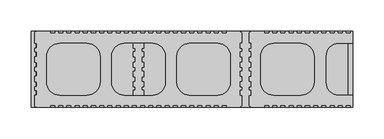
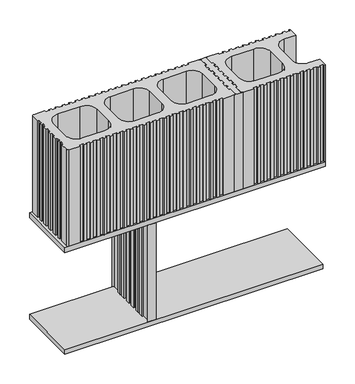
"""IFC4 building model written with IfcOpenShell, lengths in millimetres: plate geometry."""

from ifc_helpers import new_model, si_unit, point, frame, frame_2d, origin, place, context, project, spatial, polyline, circle_curve, trimmed, segment, composite_curve, outline, extrude, source, transform, mapped, element, save
from ifc_brep_helpers import plane_surface, revolved_surface, advanced_brep


def plate_27f02828(model_context):
    return source(origin(), model_context, "Body", "SolidModel", [
        extrude(outline(polyline([(249.9995197, 59.9998788), (249.9995197, -59.9998815), (-254.9995197, -59.9998815), (-254.9995197, 59.9998788), (249.9995197, 59.9998788)])), frame((0.0, 0.0, -10.0), z_axis=(0.0, 0.0, 1.0), x_axis=(1.0, 0.0, 0.0)), (0.0, 0.0, 1.0), 10.0),
        advanced_brep(
        [(-89.9998399, 40.9999178, 200.0), (-92.9998548, 40.9999178, 200.0), (-92.9998548, 32.9999326, 200.0), (-89.9998399, 32.9999326, 200.0), (-89.9998399, 27.9999419, 200.0), (-92.9998548, 27.9999419, 200.0), (-92.9998548, 19.9999605, 200.0), (-89.9997187, 19.9999605, 200.0), (-89.9997187, 11.5003508, 200.0), (-92.9997284, 11.5003508, 200.0), (-92.9997284, 3.5003274, 200.0), (-89.9997187, 3.5003274, 200.0), (-89.9997187, -3.4996982, 200.0), (-92.9997284, -3.4996982, 200.0), (-92.9997284, -11.4997254, 200.0), (-89.9997187, -11.4997254, 200.0), (-89.9997187, -19.9999578, 200.0), (-92.9998548, -19.9999578, 200.0), (-92.9998548, -27.999943, 200.0), (-89.9998399, -27.999943, 200.0), (-89.9998399, -32.9999355, 200.0), (-92.9998548, -32.9999355, 200.0), (-92.9998548, -40.9999207, 200.0), (-89.9998399, -40.9999207, 200.0), (-89.9998399, -56.9998835, 200.0), (-92.9998548, -59.9998761, 200.0), (-76.999825, -59.9998761, 200.0), (-79.9998399, -56.9998835, 200.0), (-79.9998399, -40.9999207, 200.0), (-76.999825, -40.9999207, 200.0), (-76.999825, -32.9999355, 200.0), (-79.9998399, -32.9999355, 200.0), (-79.9998399, -27.999943, 200.0), (-76.999825, -27.999943, 200.0), (-76.999825, -19.9999578, 200.0), (-79.9999555, -19.9999578, 200.0), (-79.9999555, -11.4997254, 200.0), (-76.9999457, -11.4997254, 200.0), (-76.9999457, -3.4996982, 200.0), (-79.9999555, -3.4996982, 200.0), (-79.9999555, 3.5003274, 200.0), (-76.9999457, 3.5003274, 200.0), (-76.9999457, 11.5003509, 200.0), (-79.9999555, 11.5003509, 200.0), (-79.9999555, 19.9999605, 200.0), (-76.999825, 19.9999605, 200.0), (-76.999825, 28.0000895, 200.0), (-79.9998399, 28.0000895, 200.0), (-79.9998399, 32.9999326, 200.0), (-76.999825, 32.9999326, 200.0), (-76.999825, 40.9999178, 200.0), (-79.9998399, 40.9999178, 200.0), (-79.9998399, 56.9998835, 200.0), (-76.9999521, 59.9998788, 200.0), (-92.9997277, 59.9998788, 200.0), (-89.9998399, 56.9998835, 200.0), (-89.9998399, 40.9999178, 0.0), (-89.9998399, 56.9998835, 0.0), (-92.9997277, 59.9998788, 0.0), (-76.9999521, 59.9998788, 0.0), (-79.9998399, 56.9998835, 0.0), (-79.9998399, 40.9999178, 0.0), (-76.999825, 40.9999178, 0.0), (-76.999825, 32.9999326, 0.0), (-79.9998399, 32.9999326, 0.0), (-79.9998399, 28.0000895, 0.0), (-76.999825, 28.0000895, 0.0), (-76.999825, 19.9999605, 0.0), (-79.9999555, 19.9999605, 0.0), (-79.9999555, 11.5003509, 0.0), (-76.9999457, 11.5003509, 0.0), (-76.9999457, 3.5003274, 0.0), (-79.9999555, 3.5003274, 0.0), (-79.9999555, -3.4996982, 0.0), (-76.9999457, -3.4996982, 0.0), (-76.9999457, -11.4997254, 0.0), (-79.9999555, -11.4997254, 0.0), (-79.9999555, -19.9999578, 0.0), (-76.999825, -19.9999578, 0.0), (-76.999825, -27.999943, 0.0), (-79.9998399, -27.999943, 0.0), (-79.9998399, -32.9999355, 0.0), (-76.999825, -32.9999355, 0.0), (-76.999825, -40.9999207, 0.0), (-79.9998399, -40.9999207, 0.0), (-79.9998399, -56.9998835, 0.0), (-76.999825, -59.9998761, 0.0), (-92.9998548, -59.9998761, 0.0), (-89.9998399, -56.9998835, 0.0), (-89.9998399, -40.9999207, 0.0), (-92.9998548, -40.9999207, 0.0), (-92.9998548, -32.9999355, 0.0), (-89.9998399, -32.9999355, 0.0), (-89.9998399, -27.999943, 0.0), (-92.9998548, -27.999943, 0.0), (-92.9998548, -19.9999578, 0.0), (-89.9997187, -19.9999578, 0.0), (-89.9997187, -11.4997254, 0.0), (-92.9997284, -11.4997254, 0.0), (-92.9997284, -3.4996982, 0.0), (-89.9997187, -3.4996982, 0.0), (-89.9997187, 3.5003274, 0.0), (-92.9997284, 3.5003274, 0.0), (-92.9997284, 11.5003508, 0.0), (-89.9997187, 11.5003508, 0.0), (-89.9997187, 19.9999605, 0.0), (-92.9998548, 19.9999605, 0.0), (-92.9998548, 27.9999419, 0.0), (-89.9998399, 27.9999419, 0.0), (-89.9998399, 32.9999326, 0.0), (-92.9998548, 32.9999326, 0.0), (-92.9998548, 40.9999178, 0.0)],
        [
            (0, 1),
            (1, 2),
            (2, 3),
            (3, 4),
            (4, 5),
            (5, 6),
            (6, 7),
            (7, 8),
            (8, 9),
            (9, 10),
            (10, 11),
            (11, 12),
            (12, 13),
            (13, 14),
            (14, 15),
            (15, 16),
            (16, 17),
            (17, 18),
            (18, 19),
            (19, 20),
            (20, 21),
            (21, 22),
            (22, 23),
            (23, 24),
            (24, 25, circle_curve(frame((-92.9378077, -57.0619088, 200.0), z_axis=(0.0, 0.0, -1.0), x_axis=(1.0, 0.0, 0.0)), 2.9386225)),
            (25, 26),
            (26, 27, circle_curve(frame((-77.0618721, -57.0619088, 200.0), z_axis=(0.0, 0.0, -1.0), x_axis=(1.0, 0.0, 0.0)), 2.9386225)),
            (27, 28),
            (28, 29),
            (29, 30),
            (30, 31),
            (31, 32),
            (32, 33),
            (33, 34),
            (34, 35),
            (35, 36),
            (36, 37),
            (37, 38),
            (38, 39),
            (39, 40),
            (40, 41),
            (41, 42),
            (42, 43),
            (43, 44),
            (44, 45),
            (45, 46),
            (46, 47),
            (47, 48),
            (48, 49),
            (49, 50),
            (50, 51),
            (51, 52),
            (52, 53, circle_curve(frame((-77.0618721, 57.0619088, 200.0), z_axis=(0.0, 0.0, -1.0), x_axis=(1.0, 0.0, 0.0)), 2.9386225)),
            (53, 54),
            (54, 55, circle_curve(frame((-92.9378077, 57.0619088, 200.0), z_axis=(0.0, 0.0, -1.0), x_axis=(1.0, 0.0, 0.0)), 2.9386225)),
            (55, 0),
            (56, 57),
            (57, 58, circle_curve(frame((-92.9378077, 57.0619088, 0.0), z_axis=(0.0, 0.0, 1.0), x_axis=(1.0, 0.0, 0.0)), 2.9386225)),
            (58, 59),
            (59, 60, circle_curve(frame((-77.0618721, 57.0619088, 0.0), z_axis=(0.0, 0.0, 1.0), x_axis=(1.0, 0.0, 0.0)), 2.9386225)),
            (60, 61),
            (61, 62),
            (62, 63),
            (63, 64),
            (64, 65),
            (65, 66),
            (66, 67),
            (67, 68),
            (68, 69),
            (69, 70),
            (70, 71),
            (71, 72),
            (72, 73),
            (73, 74),
            (74, 75),
            (75, 76),
            (76, 77),
            (77, 78),
            (78, 79),
            (79, 80),
            (80, 81),
            (81, 82),
            (82, 83),
            (83, 84),
            (84, 85),
            (85, 86, circle_curve(frame((-77.0618721, -57.0619088, 0.0), z_axis=(0.0, 0.0, 1.0), x_axis=(1.0, 0.0, 0.0)), 2.9386225)),
            (86, 87),
            (87, 88, circle_curve(frame((-92.9378077, -57.0619088, 0.0), z_axis=(0.0, 0.0, 1.0), x_axis=(1.0, 0.0, 0.0)), 2.9386225)),
            (88, 89),
            (89, 90),
            (90, 91),
            (91, 92),
            (92, 93),
            (93, 94),
            (94, 95),
            (95, 96),
            (96, 97),
            (97, 98),
            (98, 99),
            (99, 100),
            (100, 101),
            (101, 102),
            (102, 103),
            (103, 104),
            (104, 105),
            (105, 106),
            (106, 107),
            (107, 108),
            (108, 109),
            (109, 110),
            (110, 111),
            (111, 56),
            (55, 57),
            (56, 0),
            (54, 58),
            (53, 59),
            (52, 60),
            (51, 61),
            (27, 85),
            (84, 28),
            (26, 86),
            (25, 87),
            (24, 88),
            (23, 89),
            (50, 62),
            (49, 63),
            (48, 64),
            (47, 65),
            (46, 66),
            (45, 67),
            (44, 68),
            (34, 78),
            (77, 35),
            (33, 79),
            (32, 80),
            (31, 81),
            (30, 82),
            (29, 83),
            (22, 90),
            (21, 91),
            (20, 92),
            (19, 93),
            (18, 94),
            (17, 95),
            (16, 96),
            (6, 106),
            (105, 7),
            (5, 107),
            (4, 108),
            (3, 109),
            (2, 110),
            (1, 111),
            (43, 69),
            (42, 70),
            (41, 71),
            (40, 72),
            (39, 73),
            (38, 74),
            (37, 75),
            (36, 76),
            (15, 97),
            (14, 98),
            (13, 99),
            (12, 100),
            (11, 101),
            (10, 102),
            (9, 103),
            (8, 104),
        ],
        [
            plane_surface(frame((-89.9998399, 56.9998835, 200.0), z_axis=(0.0, 0.0, 1.0), x_axis=(0.0, 1.0, 0.0))),
            plane_surface(frame((-89.9998399, 56.9998835, 0.0), z_axis=(0.0, 0.0, -1.0), x_axis=(0.0, -1.0, 0.0))),
            plane_surface(frame((-89.9998399, 40.9999178, 200.0), z_axis=(-1.0, 0.0, 0.0), x_axis=(0.0, 0.0, -1.0))),
            revolved_surface(polyline([(-89.9991852, 57.0619088, 0.0), (-89.9991852, 57.0619088, 200.0)]), (-92.9378077, 57.0619088, 0.0), (0.0, 0.0, -1.0)),
            plane_surface(frame((-92.9997277, 59.9998788, 200.0), z_axis=(0.0, 1.0, 0.0), x_axis=(0.0, 0.0, -1.0))),
            revolved_surface(polyline([(-74.12324960000001, 57.0619088, 0.0), (-74.12324960000001, 57.0619088, 200.0)]), (-77.0618721, 57.0619088, 0.0), (0.0, 0.0, -1.0)),
            plane_surface(frame((-79.9998399, 56.9998835, 200.0), z_axis=(1.0, 0.0, 0.0), x_axis=(0.0, 0.0, -1.0))),
            plane_surface(frame((-79.9998399, -40.9999207, 200.0), z_axis=(1.0, 0.0, 0.0), x_axis=(0.0, 0.0, -1.0))),
            revolved_surface(polyline([(-74.12324960000001, -57.0619088, 0.0), (-74.12324960000001, -57.0619088, 200.0)]), (-77.0618721, -57.0619088, 0.0), (0.0, 0.0, -1.0)),
            plane_surface(frame((-76.999825, -59.9998761, 200.0), z_axis=(0.0, -1.0, 0.0), x_axis=(0.0, 0.0, -1.0))),
            revolved_surface(polyline([(-89.9991852, -57.0619088, 0.0), (-89.9991852, -57.0619088, 200.0)]), (-92.9378077, -57.0619088, 0.0), (0.0, 0.0, -1.0)),
            plane_surface(frame((-89.9998399, -56.9998835, 200.0), z_axis=(-1.0, 0.0, 0.0), x_axis=(0.0, 0.0, -1.0))),
            plane_surface(frame((-79.9998399, 40.9999178, 200.0), z_axis=(0.0, 1.0, 0.0), x_axis=(0.0, 0.0, -1.0))),
            plane_surface(frame((-76.999825, 40.9999178, 200.0), z_axis=(1.0, 0.0, 0.0), x_axis=(0.0, 0.0, -1.0))),
            plane_surface(frame((-76.999825, 32.9999326, 200.0), z_axis=(0.0, -1.0, 0.0), x_axis=(0.0, 0.0, -1.0))),
            plane_surface(frame((-79.9998399, 32.9999326, 200.0), z_axis=(1.0, 0.0, 0.0), x_axis=(0.0, 0.0, -1.0))),
            plane_surface(frame((-79.9998399, 28.0000895, 200.0), z_axis=(0.0, 1.0, 0.0), x_axis=(0.0, 0.0, -1.0))),
            plane_surface(frame((-76.999825, 28.0000895, 200.0), z_axis=(1.0, 0.0, 0.0), x_axis=(0.0, 0.0, -1.0))),
            plane_surface(frame((-76.999825, 19.9999605, 200.0), z_axis=(0.0, -1.0, 0.0), x_axis=(0.0, 0.0, -1.0))),
            plane_surface(frame((-79.9999555, -19.9999578, 200.0), z_axis=(0.0, 1.0, 0.0), x_axis=(0.0, 0.0, -1.0))),
            plane_surface(frame((-76.999825, -19.9999578, 200.0), z_axis=(1.0, 0.0, 0.0), x_axis=(0.0, 0.0, -1.0))),
            plane_surface(frame((-76.999825, -27.999943, 200.0), z_axis=(0.0, -1.0, 0.0), x_axis=(0.0, 0.0, -1.0))),
            plane_surface(frame((-79.9998399, -27.999943, 200.0), z_axis=(1.0, 0.0, 0.0), x_axis=(0.0, 0.0, -1.0))),
            plane_surface(frame((-79.9998399, -32.9999355, 200.0), z_axis=(0.0, 1.0, 0.0), x_axis=(0.0, 0.0, -1.0))),
            plane_surface(frame((-76.999825, -32.9999355, 200.0), z_axis=(1.0, 0.0, 0.0), x_axis=(0.0, 0.0, -1.0))),
            plane_surface(frame((-76.999825, -40.9999207, 200.0), z_axis=(0.0, -1.0, 0.0), x_axis=(0.0, 0.0, -1.0))),
            plane_surface(frame((-89.9998399, -40.9999207, 200.0), z_axis=(0.0, -1.0, 0.0), x_axis=(0.0, 0.0, -1.0))),
            plane_surface(frame((-92.9998548, -40.9999207, 200.0), z_axis=(-1.0, 0.0, 0.0), x_axis=(0.0, 0.0, -1.0))),
            plane_surface(frame((-92.9998548, -32.9999355, 200.0), z_axis=(0.0, 1.0, 0.0), x_axis=(0.0, 0.0, -1.0))),
            plane_surface(frame((-89.9998399, -32.9999355, 200.0), z_axis=(-1.0, 0.0, 0.0), x_axis=(0.0, 0.0, -1.0))),
            plane_surface(frame((-89.9998399, -27.999943, 200.0), z_axis=(0.0, -1.0, 0.0), x_axis=(0.0, 0.0, -1.0))),
            plane_surface(frame((-92.9998548, -27.999943, 200.0), z_axis=(-1.0, 0.0, 0.0), x_axis=(0.0, 0.0, -1.0))),
            plane_surface(frame((-92.9998548, -19.9999578, 200.0), z_axis=(0.0, 1.0, 0.0), x_axis=(0.0, 0.0, -1.0))),
            plane_surface(frame((-89.9997187, 19.9999605, 200.0), z_axis=(0.0, -1.0, 0.0), x_axis=(0.0, 0.0, -1.0))),
            plane_surface(frame((-92.9998548, 19.9999605, 200.0), z_axis=(-1.0, 0.0, 0.0), x_axis=(0.0, 0.0, -1.0))),
            plane_surface(frame((-92.9998548, 27.9999419, 200.0), z_axis=(0.0, 1.0, 0.0), x_axis=(0.0, 0.0, -1.0))),
            plane_surface(frame((-89.9998399, 27.9999419, 200.0), z_axis=(-1.0, 0.0, 0.0), x_axis=(0.0, 0.0, -1.0))),
            plane_surface(frame((-89.9998399, 32.9999326, 200.0), z_axis=(0.0, -1.0, 0.0), x_axis=(0.0, 0.0, -1.0))),
            plane_surface(frame((-92.9998548, 32.9999326, 200.0), z_axis=(-1.0, 0.0, 0.0), x_axis=(0.0, 0.0, -1.0))),
            plane_surface(frame((-92.9998548, 40.9999178, 200.0), z_axis=(0.0, 1.0, 0.0), x_axis=(0.0, 0.0, -1.0))),
            plane_surface(frame((-79.9999555, 19.9999605, 200.0), z_axis=(1.0, 0.0, 0.0), x_axis=(0.0, 0.0, -1.0))),
            plane_surface(frame((-79.9999555, 11.5003509, 200.0), z_axis=(0.0, 1.0, 0.0), x_axis=(0.0, 0.0, -1.0))),
            plane_surface(frame((-76.9999457, 11.5003509, 200.0), z_axis=(1.0, 0.0, 0.0), x_axis=(0.0, 0.0, -1.0))),
            plane_surface(frame((-76.9999457, 3.5003274, 200.0), z_axis=(0.0, -1.0, 0.0), x_axis=(0.0, 0.0, -1.0))),
            plane_surface(frame((-79.9999555, 3.5003274, 200.0), z_axis=(1.0, 0.0, 0.0), x_axis=(0.0, 0.0, -1.0))),
            plane_surface(frame((-79.9999555, -3.4996982, 200.0), z_axis=(0.0, 1.0, 0.0), x_axis=(0.0, 0.0, -1.0))),
            plane_surface(frame((-76.9999457, -3.4996982, 200.0), z_axis=(1.0, 0.0, 0.0), x_axis=(0.0, 0.0, -1.0))),
            plane_surface(frame((-76.9999457, -11.4997254, 200.0), z_axis=(0.0, -1.0, 0.0), x_axis=(0.0, 0.0, -1.0))),
            plane_surface(frame((-79.9999555, -11.4997254, 200.0), z_axis=(1.0, 0.0, 0.0), x_axis=(0.0, 0.0, -1.0))),
            plane_surface(frame((-89.9997187, -19.9999578, 200.0), z_axis=(-1.0, 0.0, 0.0), x_axis=(0.0, 0.0, -1.0))),
            plane_surface(frame((-89.9997187, -11.4997254, 200.0), z_axis=(0.0, -1.0, 0.0), x_axis=(0.0, 0.0, -1.0))),
            plane_surface(frame((-92.9997284, -11.4997254, 200.0), z_axis=(-1.0, 0.0, 0.0), x_axis=(0.0, 0.0, -1.0))),
            plane_surface(frame((-92.9997284, -3.4996982, 200.0), z_axis=(0.0, 1.0, 0.0), x_axis=(0.0, 0.0, -1.0))),
            plane_surface(frame((-89.9997187, -3.4996982, 200.0), z_axis=(-1.0, 0.0, 0.0), x_axis=(0.0, 0.0, -1.0))),
            plane_surface(frame((-89.9997187, 3.5003274, 200.0), z_axis=(0.0, -1.0, 0.0), x_axis=(0.0, 0.0, -1.0))),
            plane_surface(frame((-92.9997284, 3.5003274, 200.0), z_axis=(-1.0, 0.0, 0.0), x_axis=(0.0, 0.0, -1.0))),
            plane_surface(frame((-92.9997284, 11.5003508, 200.0), z_axis=(0.0, 1.0, 0.0), x_axis=(0.0, 0.0, -1.0))),
            plane_surface(frame((-89.9997187, 11.5003508, 200.0), z_axis=(-1.0, 0.0, 0.0), x_axis=(0.0, 0.0, -1.0))),
        ],
        [
            (0, [[1, 2, 3, 4, 5, 6, 7, 8, 9, 10, 11, 12, 13, 14, 15, 16, 17, 18, 19, 20, 21, 22, 23, 24, 25, 26, 27, 28, 29, 30, 31, 32, 33, 34, 35, 36, 37, 38, 39, 40, 41, 42, 43, 44, 45, 46, 47, 48, 49, 50, 51, 52, 53, 54, 55, 56]]),
            (1, [[57, 58, 59, 60, 61, 62, 63, 64, 65, 66, 67, 68, 69, 70, 71, 72, 73, 74, 75, 76, 77, 78, 79, 80, 81, 82, 83, 84, 85, 86, 87, 88, 89, 90, 91, 92, 93, 94, 95, 96, 97, 98, 99, 100, 101, 102, 103, 104, 105, 106, 107, 108, 109, 110, 111, 112]]),
            (2, [[113, -57, 114, -56]]),
            (3, [[115, -58, -113, -55]]),
            (4, [[116, -59, -115, -54]]),
            (5, [[117, -60, -116, -53]]),
            (6, [[118, -61, -117, -52]]),
            (7, [[119, -85, 120, -28]]),
            (8, [[121, -86, -119, -27]]),
            (9, [[122, -87, -121, -26]]),
            (10, [[123, -88, -122, -25]]),
            (11, [[124, -89, -123, -24]]),
            (12, [[125, -62, -118, -51]]),
            (13, [[126, -63, -125, -50]]),
            (14, [[127, -64, -126, -49]]),
            (15, [[128, -65, -127, -48]]),
            (16, [[129, -66, -128, -47]]),
            (17, [[130, -67, -129, -46]]),
            (18, [[131, -68, -130, -45]]),
            (19, [[132, -78, 133, -35]]),
            (20, [[134, -79, -132, -34]]),
            (21, [[135, -80, -134, -33]]),
            (22, [[136, -81, -135, -32]]),
            (23, [[137, -82, -136, -31]]),
            (24, [[138, -83, -137, -30]]),
            (25, [[-120, -84, -138, -29]]),
            (26, [[139, -90, -124, -23]]),
            (27, [[140, -91, -139, -22]]),
            (28, [[141, -92, -140, -21]]),
            (29, [[142, -93, -141, -20]]),
            (30, [[143, -94, -142, -19]]),
            (31, [[144, -95, -143, -18]]),
            (32, [[145, -96, -144, -17]]),
            (33, [[146, -106, 147, -7]]),
            (34, [[148, -107, -146, -6]]),
            (35, [[149, -108, -148, -5]]),
            (36, [[150, -109, -149, -4]]),
            (37, [[151, -110, -150, -3]]),
            (38, [[152, -111, -151, -2]]),
            (39, [[-114, -112, -152, -1]]),
            (40, [[153, -69, -131, -44]]),
            (41, [[154, -70, -153, -43]]),
            (42, [[155, -71, -154, -42]]),
            (43, [[156, -72, -155, -41]]),
            (44, [[157, -73, -156, -40]]),
            (45, [[158, -74, -157, -39]]),
            (46, [[159, -75, -158, -38]]),
            (47, [[160, -76, -159, -37]]),
            (48, [[-133, -77, -160, -36]]),
            (49, [[161, -97, -145, -16]]),
            (50, [[162, -98, -161, -15]]),
            (51, [[163, -99, -162, -14]]),
            (52, [[164, -100, -163, -13]]),
            (53, [[165, -101, -164, -12]]),
            (54, [[166, -102, -165, -11]]),
            (55, [[167, -103, -166, -10]]),
            (56, [[168, -104, -167, -9]]),
            (57, [[-147, -105, -168, -8]]),
        ],
    ),
        extrude(outline(polyline([(-254.9995197, -59.9998801), (-254.9995197, 59.9998788), (254.9995197, 59.9998788), (254.9995197, -59.9998801), (-254.9995197, -59.9998801)]), holes=[polyline([(247.1934492, -44.9999121), (247.1934492, 44.9999108), (-247.1934394, 44.9999108), (-247.1934394, -44.9999121), (247.1934492, -44.9999121)])]), frame((0.0, 0.0, 200.0), z_axis=(0.0, 0.0, 1.0), x_axis=(1.0, 0.0, 0.0)), (0.0, 0.0, 1.0), 10.0),
        advanced_brep(
        [(89.9998399, -40.9999193, 410.0), (92.9998548, -40.9999193, 410.0), (92.9998548, -32.9999342, 410.0), (89.9998399, -32.9999342, 410.0), (89.9998399, -27.9999416, 410.0), (92.9998548, -27.9999416, 410.0), (92.9998548, -19.9999565, 410.0), (89.9997243, -19.9999565, 410.0), (89.9997243, -11.499724, 410.0), (92.999734, -11.499724, 410.0), (92.999734, -3.4996968, 410.0), (89.9997243, -3.4996968, 410.0), (89.9997243, 3.5003288, 410.0), (92.999734, 3.5003288, 410.0), (92.999734, 11.5003523, 410.0), (89.9997243, 11.5003523, 410.0), (89.9997243, 19.9999618, 410.0), (92.9998548, 19.9999618, 410.0), (92.9998548, 28.0000909, 410.0), (89.9998399, 28.0000909, 410.0), (89.9998399, 32.999934, 410.0), (92.9998548, 32.999934, 410.0), (92.9998548, 40.9999191, 410.0), (89.9998399, 40.9999191, 410.0), (89.9998399, 56.9998849, 410.0), (92.999792, 59.9998788, 410.0), (76.9998878, 59.9998788, 410.0), (79.9998399, 56.9998849, 410.0), (79.9998399, 40.9999191, 410.0), (76.999825, 40.9999191, 410.0), (76.999825, 32.999934, 410.0), (79.9998399, 32.999934, 410.0), (79.9998399, 27.9999433, 410.0), (76.999825, 27.9999433, 410.0), (76.999825, 19.9999618, 410.0), (80.0015527, 19.9999618, 410.0), (80.0015527, 11.4998217, 410.0), (77.0015429, 11.4998217, 410.0), (77.0015429, 3.4997983, 410.0), (80.0015527, 3.4997983, 410.0), (80.0015527, -3.5002273, 410.0), (77.0015429, -3.5002273, 410.0), (77.0015429, -11.5002545, 410.0), (80.0015527, -11.5002545, 410.0), (80.0015527, -19.9999565, 410.0), (76.999825, -19.9999565, 410.0), (76.999825, -27.9999416, 410.0), (79.9998399, -27.9999416, 410.0), (79.9998399, -32.9999342, 410.0), (76.999825, -32.9999342, 410.0), (76.999825, -40.9999193, 410.0), (79.9998399, -40.9999193, 410.0), (79.9998399, -56.9998822, 410.0), (77.0001456, -59.9998815, 410.0), (92.9995342, -59.9998815, 410.0), (89.9998399, -56.9998822, 410.0), (89.9998399, -40.9999193, 210.0), (89.9998399, -56.9998822, 210.0), (92.9995342, -59.9998815, 210.0), (77.0001456, -59.9998815, 210.0), (79.9998399, -56.9998822, 210.0), (79.9998399, -40.9999193, 210.0), (76.999825, -40.9999193, 210.0), (76.999825, -32.9999342, 210.0), (79.9998399, -32.9999342, 210.0), (79.9998399, -27.9999416, 210.0), (76.999825, -27.9999416, 210.0), (76.999825, -19.9999565, 210.0), (80.0015527, -19.9999565, 210.0), (80.0015527, -11.5002545, 210.0), (77.0015429, -11.5002545, 210.0), (77.0015429, -3.5002273, 210.0), (80.0015527, -3.5002273, 210.0), (80.0015527, 3.4997983, 210.0), (77.0015429, 3.4997983, 210.0), (77.0015429, 11.4998217, 210.0), (80.0015527, 11.4998217, 210.0), (80.0015527, 19.9999618, 210.0), (76.999825, 19.9999618, 210.0), (76.999825, 27.9999433, 210.0), (79.9998399, 27.9999433, 210.0), (79.9998399, 32.999934, 210.0), (76.999825, 32.999934, 210.0), (76.999825, 40.9999191, 210.0), (79.9998399, 40.9999191, 210.0), (79.9998399, 56.9998849, 210.0), (76.9998878, 59.9998788, 210.0), (92.999792, 59.9998788, 210.0), (89.9998399, 56.9998849, 210.0), (89.9998399, 40.9999191, 210.0), (92.9998548, 40.9999191, 210.0), (92.9998548, 32.999934, 210.0), (89.9998399, 32.999934, 210.0), (89.9998399, 28.0000909, 210.0), (92.9998548, 28.0000909, 210.0), (92.9998548, 19.9999618, 210.0), (89.9997243, 19.9999618, 210.0), (89.9997243, 11.5003523, 210.0), (92.999734, 11.5003523, 210.0), (92.999734, 3.5003288, 210.0), (89.9997243, 3.5003288, 210.0), (89.9997243, -3.4996968, 210.0), (92.999734, -3.4996968, 210.0), (92.999734, -11.499724, 210.0), (89.9997243, -11.499724, 210.0), (89.9997243, -19.9999565, 210.0), (92.9998548, -19.9999565, 210.0), (92.9998548, -27.9999416, 210.0), (89.9998399, -27.9999416, 210.0), (89.9998399, -32.9999342, 210.0), (92.9998548, -32.9999342, 210.0), (92.9998548, -40.9999193, 210.0)],
        [
            (0, 1),
            (1, 2),
            (2, 3),
            (3, 4),
            (4, 5),
            (5, 6),
            (6, 7),
            (7, 8),
            (8, 9),
            (9, 10),
            (10, 11),
            (11, 12),
            (12, 13),
            (13, 14),
            (14, 15),
            (15, 16),
            (16, 17),
            (17, 18),
            (18, 19),
            (19, 20),
            (20, 21),
            (21, 22),
            (22, 23),
            (23, 24),
            (24, 25, circle_curve(frame((92.9378077, 57.0619101, 410.0), z_axis=(0.0, 0.0, -1.0), x_axis=(0.0, -1.0, 0.0)), 2.9386225)),
            (25, 26),
            (26, 27, circle_curve(frame((77.0618721, 57.0619101, 410.0), z_axis=(0.0, 0.0, -1.0), x_axis=(0.0, -1.0, 0.0)), 2.9386225)),
            (27, 28),
            (28, 29),
            (29, 30),
            (30, 31),
            (31, 32),
            (32, 33),
            (33, 34),
            (34, 35),
            (35, 36),
            (36, 37),
            (37, 38),
            (38, 39),
            (39, 40),
            (40, 41),
            (41, 42),
            (42, 43),
            (43, 44),
            (44, 45),
            (45, 46),
            (46, 47),
            (47, 48),
            (48, 49),
            (49, 50),
            (50, 51),
            (51, 52),
            (52, 53, circle_curve(frame((77.0618721, -57.0619074, 410.0), z_axis=(0.0, 0.0, -1.0), x_axis=(0.0, -1.0, 0.0)), 2.9386225)),
            (53, 54),
            (54, 55, circle_curve(frame((92.9378077, -57.0619074, 410.0), z_axis=(0.0, 0.0, -1.0), x_axis=(0.0, -1.0, 0.0)), 2.9386225)),
            (55, 0),
            (56, 57),
            (57, 58, circle_curve(frame((92.9378077, -57.0619074, 210.0), z_axis=(0.0, 0.0, 1.0), x_axis=(0.0, -1.0, 0.0)), 2.9386225)),
            (58, 59),
            (59, 60, circle_curve(frame((77.0618721, -57.0619074, 210.0), z_axis=(0.0, 0.0, 1.0), x_axis=(0.0, -1.0, 0.0)), 2.9386225)),
            (60, 61),
            (61, 62),
            (62, 63),
            (63, 64),
            (64, 65),
            (65, 66),
            (66, 67),
            (67, 68),
            (68, 69),
            (69, 70),
            (70, 71),
            (71, 72),
            (72, 73),
            (73, 74),
            (74, 75),
            (75, 76),
            (76, 77),
            (77, 78),
            (78, 79),
            (79, 80),
            (80, 81),
            (81, 82),
            (82, 83),
            (83, 84),
            (84, 85),
            (85, 86, circle_curve(frame((77.0618721, 57.0619101, 210.0), z_axis=(0.0, 0.0, 1.0), x_axis=(0.0, -1.0, 0.0)), 2.9386225)),
            (86, 87),
            (87, 88, circle_curve(frame((92.9378077, 57.0619101, 210.0), z_axis=(0.0, 0.0, 1.0), x_axis=(0.0, -1.0, 0.0)), 2.9386225)),
            (88, 89),
            (89, 90),
            (90, 91),
            (91, 92),
            (92, 93),
            (93, 94),
            (94, 95),
            (95, 96),
            (96, 97),
            (97, 98),
            (98, 99),
            (99, 100),
            (100, 101),
            (101, 102),
            (102, 103),
            (103, 104),
            (104, 105),
            (105, 106),
            (106, 107),
            (107, 108),
            (108, 109),
            (109, 110),
            (110, 111),
            (111, 56),
            (55, 57),
            (56, 0),
            (53, 59),
            (58, 54),
            (51, 61),
            (60, 52),
            (27, 85),
            (84, 28),
            (25, 87),
            (86, 26),
            (23, 89),
            (88, 24),
            (50, 62),
            (49, 63),
            (48, 64),
            (47, 65),
            (46, 66),
            (45, 67),
            (44, 68),
            (34, 78),
            (77, 35),
            (33, 79),
            (32, 80),
            (31, 81),
            (30, 82),
            (29, 83),
            (22, 90),
            (21, 91),
            (20, 92),
            (19, 93),
            (18, 94),
            (17, 95),
            (16, 96),
            (6, 106),
            (105, 7),
            (5, 107),
            (4, 108),
            (3, 109),
            (2, 110),
            (1, 111),
            (43, 69),
            (42, 70),
            (41, 71),
            (40, 72),
            (39, 73),
            (38, 74),
            (37, 75),
            (36, 76),
            (15, 97),
            (14, 98),
            (13, 99),
            (12, 100),
            (11, 101),
            (10, 102),
            (9, 103),
            (8, 104),
        ],
        [
            plane_surface(frame((89.9998399, -47.1241744, 410.0), z_axis=(0.0, 0.0, 1.0), x_axis=(0.0, -1.0, 0.0))),
            plane_surface(frame((89.9998399, -47.1241744, 210.0), z_axis=(0.0, 0.0, -1.0), x_axis=(0.0, 1.0, 0.0))),
            plane_surface(frame((89.9998399, -40.9999193, 410.0), z_axis=(1.0, 0.0, 0.0), x_axis=(0.0, 0.0, -1.0))),
            plane_surface(frame((92.9995342, -59.9998815, 410.0), z_axis=(0.0, -1.0, 0.0), x_axis=(0.0, 0.0, -1.0))),
            plane_surface(frame((79.9998399, -56.9998822, 410.0), z_axis=(-1.0, 0.0, 0.0), x_axis=(0.0, 0.0, -1.0))),
            plane_surface(frame((79.9998399, 40.9999191, 410.0), z_axis=(-1.0, 0.0, 0.0), x_axis=(0.0, 0.0, -1.0))),
            plane_surface(frame((76.9998878, 59.9998788, 410.0), z_axis=(0.0, 1.0, 0.0), x_axis=(0.0, 0.0, -1.0))),
            plane_surface(frame((89.9998399, 56.9998849, 410.0), z_axis=(1.0, 0.0, 0.0), x_axis=(0.0, 0.0, -1.0))),
            revolved_surface(polyline([(92.9378077, -60.000529900000004, 210.0), (92.9378077, -60.000529900000004, 410.0)]), (92.9378077, -57.0619074, 210.0), (0.0, 0.0, -1.0)),
            revolved_surface(polyline([(77.0618721, -60.000529900000004, 210.0), (77.0618721, -60.000529900000004, 410.0)]), (77.0618721, -57.0619074, 210.0), (0.0, 0.0, -1.0)),
            revolved_surface(polyline([(77.0618721, 54.1232876, 210.0), (77.0618721, 54.1232876, 410.0)]), (77.0618721, 57.0619101, 210.0), (0.0, 0.0, -1.0)),
            revolved_surface(polyline([(92.9378077, 54.1232876, 210.0), (92.9378077, 54.1232876, 410.0)]), (92.9378077, 57.0619101, 210.0), (0.0, 0.0, -1.0)),
            plane_surface(frame((79.9998399, -40.9999193, 410.0), z_axis=(0.0, -1.0, 0.0), x_axis=(0.0, 0.0, -1.0))),
            plane_surface(frame((76.999825, -40.9999193, 410.0), z_axis=(-1.0, 0.0, 0.0), x_axis=(0.0, 0.0, -1.0))),
            plane_surface(frame((76.999825, -32.9999342, 410.0), z_axis=(0.0, 1.0, 0.0), x_axis=(0.0, 0.0, -1.0))),
            plane_surface(frame((79.9998399, -32.9999342, 410.0), z_axis=(-1.0, 0.0, 0.0), x_axis=(0.0, 0.0, -1.0))),
            plane_surface(frame((79.9998399, -27.9999416, 410.0), z_axis=(0.0, -1.0, 0.0), x_axis=(0.0, 0.0, -1.0))),
            plane_surface(frame((76.999825, -27.9999416, 410.0), z_axis=(-1.0, 0.0, 0.0), x_axis=(0.0, 0.0, -1.0))),
            plane_surface(frame((76.999825, -19.9999565, 410.0), z_axis=(0.0, 1.0, 0.0), x_axis=(0.0, 0.0, -1.0))),
            plane_surface(frame((80.0015527, 19.9999618, 410.0), z_axis=(0.0, -1.0, 0.0), x_axis=(0.0, 0.0, -1.0))),
            plane_surface(frame((76.999825, 19.9999618, 410.0), z_axis=(-1.0, 0.0, 0.0), x_axis=(0.0, 0.0, -1.0))),
            plane_surface(frame((76.999825, 27.9999433, 410.0), z_axis=(0.0, 1.0, 0.0), x_axis=(0.0, 0.0, -1.0))),
            plane_surface(frame((79.9998399, 27.9999433, 410.0), z_axis=(-1.0, 0.0, 0.0), x_axis=(0.0, 0.0, -1.0))),
            plane_surface(frame((79.9998399, 32.999934, 410.0), z_axis=(0.0, -1.0, 0.0), x_axis=(0.0, 0.0, -1.0))),
            plane_surface(frame((76.999825, 32.999934, 410.0), z_axis=(-1.0, 0.0, 0.0), x_axis=(0.0, 0.0, -1.0))),
            plane_surface(frame((76.999825, 40.9999191, 410.0), z_axis=(0.0, 1.0, 0.0), x_axis=(0.0, 0.0, -1.0))),
            plane_surface(frame((89.9998399, 40.9999191, 410.0), z_axis=(0.0, 1.0, 0.0), x_axis=(0.0, 0.0, -1.0))),
            plane_surface(frame((92.9998548, 40.9999191, 410.0), z_axis=(1.0, 0.0, 0.0), x_axis=(0.0, 0.0, -1.0))),
            plane_surface(frame((92.9998548, 32.999934, 410.0), z_axis=(0.0, -1.0, 0.0), x_axis=(0.0, 0.0, -1.0))),
            plane_surface(frame((89.9998399, 32.999934, 410.0), z_axis=(1.0, 0.0, 0.0), x_axis=(0.0, 0.0, -1.0))),
            plane_surface(frame((89.9998399, 28.0000909, 410.0), z_axis=(0.0, 1.0, 0.0), x_axis=(0.0, 0.0, -1.0))),
            plane_surface(frame((92.9998548, 28.0000909, 410.0), z_axis=(1.0, 0.0, 0.0), x_axis=(0.0, 0.0, -1.0))),
            plane_surface(frame((92.9998548, 19.9999618, 410.0), z_axis=(0.0, -1.0, 0.0), x_axis=(0.0, 0.0, -1.0))),
            plane_surface(frame((89.9997243, -19.9999565, 410.0), z_axis=(0.0, 1.0, 0.0), x_axis=(0.0, 0.0, -1.0))),
            plane_surface(frame((92.9998548, -19.9999565, 410.0), z_axis=(1.0, 0.0, 0.0), x_axis=(0.0, 0.0, -1.0))),
            plane_surface(frame((92.9998548, -27.9999416, 410.0), z_axis=(0.0, -1.0, 0.0), x_axis=(0.0, 0.0, -1.0))),
            plane_surface(frame((89.9998399, -27.9999416, 410.0), z_axis=(1.0, 0.0, 0.0), x_axis=(0.0, 0.0, -1.0))),
            plane_surface(frame((89.9998399, -32.9999342, 410.0), z_axis=(0.0, 1.0, 0.0), x_axis=(0.0, 0.0, -1.0))),
            plane_surface(frame((92.9998548, -32.9999342, 410.0), z_axis=(1.0, 0.0, 0.0), x_axis=(0.0, 0.0, -1.0))),
            plane_surface(frame((92.9998548, -40.9999193, 410.0), z_axis=(0.0, -1.0, 0.0), x_axis=(0.0, 0.0, -1.0))),
            plane_surface(frame((80.0015527, -19.9999565, 410.0), z_axis=(-1.0, 0.0, 0.0), x_axis=(0.0, 0.0, -1.0))),
            plane_surface(frame((80.0015527, -11.5002545, 410.0), z_axis=(0.0, -1.0, 0.0), x_axis=(0.0, 0.0, -1.0))),
            plane_surface(frame((77.0015429, -11.5002545, 410.0), z_axis=(-1.0, 0.0, 0.0), x_axis=(0.0, 0.0, -1.0))),
            plane_surface(frame((77.0015429, -3.5002273, 410.0), z_axis=(0.0, 1.0, 0.0), x_axis=(0.0, 0.0, -1.0))),
            plane_surface(frame((80.0015527, -3.5002273, 410.0), z_axis=(-1.0, 0.0, 0.0), x_axis=(0.0, 0.0, -1.0))),
            plane_surface(frame((80.0015527, 3.4997983, 410.0), z_axis=(0.0, -1.0, 0.0), x_axis=(0.0, 0.0, -1.0))),
            plane_surface(frame((77.0015429, 3.4997983, 410.0), z_axis=(-1.0, 0.0, 0.0), x_axis=(0.0, 0.0, -1.0))),
            plane_surface(frame((77.0015429, 11.4998217, 410.0), z_axis=(0.0, 1.0, 0.0), x_axis=(0.0, 0.0, -1.0))),
            plane_surface(frame((80.0015527, 11.4998217, 410.0), z_axis=(-1.0, 0.0, 0.0), x_axis=(0.0, 0.0, -1.0))),
            plane_surface(frame((89.9997243, 19.9999618, 410.0), z_axis=(1.0, 0.0, 0.0), x_axis=(0.0, 0.0, -1.0))),
            plane_surface(frame((89.9997243, 11.5003523, 410.0), z_axis=(0.0, 1.0, 0.0), x_axis=(0.0, 0.0, -1.0))),
            plane_surface(frame((92.999734, 11.5003523, 410.0), z_axis=(1.0, 0.0, 0.0), x_axis=(0.0, 0.0, -1.0))),
            plane_surface(frame((92.999734, 3.5003288, 410.0), z_axis=(0.0, -1.0, 0.0), x_axis=(0.0, 0.0, -1.0))),
            plane_surface(frame((89.9997243, 3.5003288, 410.0), z_axis=(1.0, 0.0, 0.0), x_axis=(0.0, 0.0, -1.0))),
            plane_surface(frame((89.9997243, -3.4996968, 410.0), z_axis=(0.0, 1.0, 0.0), x_axis=(0.0, 0.0, -1.0))),
            plane_surface(frame((92.999734, -3.4996968, 410.0), z_axis=(1.0, 0.0, 0.0), x_axis=(0.0, 0.0, -1.0))),
            plane_surface(frame((92.999734, -11.499724, 410.0), z_axis=(0.0, -1.0, 0.0), x_axis=(0.0, 0.0, -1.0))),
            plane_surface(frame((89.9997243, -11.499724, 410.0), z_axis=(1.0, 0.0, 0.0), x_axis=(0.0, 0.0, -1.0))),
        ],
        [
            (0, [[1, 2, 3, 4, 5, 6, 7, 8, 9, 10, 11, 12, 13, 14, 15, 16, 17, 18, 19, 20, 21, 22, 23, 24, 25, 26, 27, 28, 29, 30, 31, 32, 33, 34, 35, 36, 37, 38, 39, 40, 41, 42, 43, 44, 45, 46, 47, 48, 49, 50, 51, 52, 53, 54, 55, 56]]),
            (1, [[57, 58, 59, 60, 61, 62, 63, 64, 65, 66, 67, 68, 69, 70, 71, 72, 73, 74, 75, 76, 77, 78, 79, 80, 81, 82, 83, 84, 85, 86, 87, 88, 89, 90, 91, 92, 93, 94, 95, 96, 97, 98, 99, 100, 101, 102, 103, 104, 105, 106, 107, 108, 109, 110, 111, 112]]),
            (2, [[113, -57, 114, -56]]),
            (3, [[115, -59, 116, -54]]),
            (4, [[117, -61, 118, -52]]),
            (5, [[119, -85, 120, -28]]),
            (6, [[121, -87, 122, -26]]),
            (7, [[123, -89, 124, -24]]),
            (8, [[-116, -58, -113, -55]]),
            (9, [[-118, -60, -115, -53]]),
            (10, [[-122, -86, -119, -27]]),
            (11, [[-124, -88, -121, -25]]),
            (12, [[125, -62, -117, -51]]),
            (13, [[126, -63, -125, -50]]),
            (14, [[127, -64, -126, -49]]),
            (15, [[128, -65, -127, -48]]),
            (16, [[129, -66, -128, -47]]),
            (17, [[130, -67, -129, -46]]),
            (18, [[131, -68, -130, -45]]),
            (19, [[132, -78, 133, -35]]),
            (20, [[134, -79, -132, -34]]),
            (21, [[135, -80, -134, -33]]),
            (22, [[136, -81, -135, -32]]),
            (23, [[137, -82, -136, -31]]),
            (24, [[138, -83, -137, -30]]),
            (25, [[-120, -84, -138, -29]]),
            (26, [[139, -90, -123, -23]]),
            (27, [[140, -91, -139, -22]]),
            (28, [[141, -92, -140, -21]]),
            (29, [[142, -93, -141, -20]]),
            (30, [[143, -94, -142, -19]]),
            (31, [[144, -95, -143, -18]]),
            (32, [[145, -96, -144, -17]]),
            (33, [[146, -106, 147, -7]]),
            (34, [[148, -107, -146, -6]]),
            (35, [[149, -108, -148, -5]]),
            (36, [[150, -109, -149, -4]]),
            (37, [[151, -110, -150, -3]]),
            (38, [[152, -111, -151, -2]]),
            (39, [[-114, -112, -152, -1]]),
            (40, [[153, -69, -131, -44]]),
            (41, [[154, -70, -153, -43]]),
            (42, [[155, -71, -154, -42]]),
            (43, [[156, -72, -155, -41]]),
            (44, [[157, -73, -156, -40]]),
            (45, [[158, -74, -157, -39]]),
            (46, [[159, -75, -158, -38]]),
            (47, [[160, -76, -159, -37]]),
            (48, [[-133, -77, -160, -36]]),
            (49, [[161, -97, -145, -16]]),
            (50, [[162, -98, -161, -15]]),
            (51, [[163, -99, -162, -14]]),
            (52, [[164, -100, -163, -13]]),
            (53, [[165, -101, -164, -12]]),
            (54, [[166, -102, -165, -11]]),
            (55, [[167, -103, -166, -10]]),
            (56, [[168, -104, -167, -9]]),
            (57, [[-147, -105, -168, -8]]),
        ],
    ),
        extrude(outline(composite_curve([segment(polyline([(114.4998029, 60.0005104), (114.4998029, 57.0005007), (122.4998282, 57.0005007), (122.4998282, 60.0005104), (127.499847, 60.0005104), (127.499847, 57.0005007), (135.4998705, 57.0005007), (135.4998705, 60.0005104), (140.4998893, 60.0005104), (140.4998893, 57.0005007), (148.4999128, 57.0005007), (148.4999128, 60.0005104), (153.4999316, 60.0005104), (153.4999316, 57.0005007), (161.4999588, 57.0005007), (161.4999588, 60.0005104), (166.4999702, 60.0005104), (166.4999702, 57.0005007), (174.4999973, 57.0005007), (174.4999973, 60.0005104), (179.5000162, 60.0005104), (179.5000162, 57.0005007), (187.5000359, 57.0005007), (187.5000359, 60.0005104), (192.5000547, 60.0005104), (192.5000547, 57.0005007), (200.5000819, 57.0005007), (200.5000819, 60.0005104), (205.5001008, 60.0005104), (205.5001008, 57.0005007), (213.5001205, 57.0005007), (213.5001205, 60.0005104), (218.5001393, 60.0005104), (218.5001393, 57.0005007), (226.5001665, 57.0005007), (226.5001665, 60.0005104), (231.5001779, 60.0005104), (231.5001779, 57.0005007), (239.500205, 57.0005007), (239.500205, 60.0005104), (244.5002164, 60.0005104), (244.5002164, 57.0005007), (252.5002436, 57.0005007), (252.5002436, 60.0005104), (255.0002605, 60.0005104), (255.0002605, 41.0005104), (232.5001492, 41.0005104)]), True, "CONTINUOUS"), segment(trimmed(circle_curve(frame_2d((232.5001492, 21.0004457)), 20.0000648), [point((232.5001492, 41.0005104))], [point((212.5000844, 21.0004457))], True, "CARTESIAN"), True, "CONTINUOUS"), segment(polyline([(212.5000844, 21.0004457), (212.5000844, -20.99981)]), True, "CONTINUOUS"), segment(trimmed(circle_curve(frame_2d((232.5001492, -20.99981)), 20.0000648), [point((212.5000844, -20.99981))], [point((232.5001492, -40.9998747))], True, "CARTESIAN"), True, "CONTINUOUS"), segment(polyline([(232.5001492, -40.9998747), (255.0002568, -40.9998747), (255.0002568, -59.9998747), (252.5002436, -59.9998747), (252.5002436, -56.999865), (244.5002164, -56.999865), (244.5002164, -59.9998747), (239.500205, -59.9998747), (239.500205, -56.999865), (231.5001779, -56.999865), (231.5001779, -59.9998747), (226.5001665, -59.9998747), (226.5001665, -56.999865), (218.5001393, -56.999865), (218.5001393, -59.9998747), (213.5001205, -59.9998747), (213.5001205, -56.999865), (205.5001008, -56.999865), (205.5001008, -59.9998747), (200.5000819, -59.9998747), (200.5000819, -56.999865), (192.5000547, -56.999865), (192.5000547, -59.9998747), (187.5000359, -59.9998747), (187.5000359, -56.999865), (179.5000162, -56.999865), (179.5000162, -59.9998747), (174.4999973, -59.9998747), (174.4999973, -56.999865), (166.4999702, -56.999865), (166.4999702, -59.9998747), (161.4999588, -59.9998747), (161.4999588, -56.999865), (153.4999316, -56.999865), (153.4999316, -59.9998747), (148.4999128, -59.9998747), (148.4999128, -56.999865), (140.4998893, -56.999865), (140.4998893, -59.9998747), (135.4998705, -59.9998747), (135.4998705, -56.999865), (127.499847, -56.999865), (127.499847, -59.9998747), (122.4998282, -59.9998747), (122.4998282, -56.999865), (114.4998029, -56.999865), (114.4998029, -59.9998747), (92.9997294, -59.9998747)]), True, "CONTINUOUS"), segment(trimmed(circle_curve(frame_2d((92.9997294, -56.9998696)), 3.0000051), [point((92.9997294, -59.9998747))], [point((89.9997243, -56.9998696))], False, "CARTESIAN"), True, "CONTINUOUS"), segment(polyline([(89.9997243, -56.9998696), (89.9997243, -40.9998195), (92.999734, -40.9998195), (92.999734, -32.9997924), (89.9997243, -32.9997924), (89.9997243, -27.9997735), (92.999734, -27.9997735), (92.999734, -19.9997463), (89.9997243, -19.9997463), (89.9997243, -11.499724), (92.999734, -11.499724), (92.999734, -3.4996968), (89.9997243, -3.4996968), (89.9997243, 3.5003288), (92.999734, 3.5003288), (92.999734, 11.5003523), (89.9997243, 11.5003523), (89.9997243, 20.000382), (92.999734, 20.000382), (92.999734, 28.0004055), (89.9997243, 28.0004055), (89.9997243, 33.0004225), (92.999734, 33.0004225), (92.999734, 41.0004496), (89.9997243, 41.0004496), (89.9997243, 57.0005008)]), True, "CONTINUOUS"), segment(trimmed(circle_curve(frame_2d((92.999734, 57.0005008)), 3.0000097), [point((89.9997243, 57.0005008))], [point((92.999734, 60.0005104))], False, "CARTESIAN"), True, "CONTINUOUS"), segment(polyline([(92.999734, 60.0005104), (114.4998029, 60.0005104)]), True, "CONTINUOUS")], self_intersect=False), holes=[composite_curve([segment(polyline([(108.9997243, 20.0005104), (108.9997243, -19.9998747)]), True, "CONTINUOUS"), segment(trimmed(circle_curve(frame_2d((129.9997243, -19.9998747)), 21.0), [point((108.9997243, -19.9998747))], [point((129.9997243, -40.9998747))], True, "CARTESIAN"), True, "CONTINUOUS"), segment(polyline([(129.9997243, -40.9998747), (173.0000764, -40.9998747)]), True, "CONTINUOUS"), segment(trimmed(circle_curve(frame_2d((173.0000764, -19.9998747)), 21.0), [point((173.0000764, -40.9998747))], [point((194.0000764, -19.9998747))], True, "CARTESIAN"), True, "CONTINUOUS"), segment(polyline([(194.0000764, -19.9998747), (194.0000764, 20.0005104)]), True, "CONTINUOUS"), segment(trimmed(circle_curve(frame_2d((173.0000764, 20.0005104)), 21.0), [point((194.0000764, 20.0005104))], [point((173.0000764, 41.0005104))], True, "CARTESIAN"), True, "CONTINUOUS"), segment(polyline([(173.0000764, 41.0005104), (129.9997243, 41.0005104)]), True, "CONTINUOUS"), segment(trimmed(circle_curve(frame_2d((129.9997243, 20.0005104)), 21.0), [point((129.9997243, 41.0005104))], [point((108.9997243, 20.0005104))], True, "CARTESIAN"), True, "CONTINUOUS")], self_intersect=False)]), frame((0.0, 0.0, 210.0), z_axis=(0.0, 0.0, 1.0), x_axis=(1.0, 0.0, 0.0)), (0.0, 0.0, 1.0), 200.0),
        extrude(outline(composite_curve([segment(polyline([(-225.4994411, 59.9999799), (-225.4994411, 56.9999702), (-217.4994158, 56.9999702), (-217.4994158, 59.9999799), (-212.499397, 59.9999799), (-212.499397, 56.9999702), (-204.4993735, 56.9999702), (-204.4993735, 59.9999799), (-199.4993547, 59.9999799), (-199.4993547, 56.9999702), (-191.4993312, 56.9999702), (-191.4993312, 59.9999799), (-186.4993124, 59.9999799), (-186.4993124, 56.9999702), (-178.4992852, 56.9999702), (-178.4992852, 59.9999799), (-173.4992738, 59.9999799), (-173.4992738, 56.9999702), (-165.4992467, 56.9999702), (-165.4992467, 59.9999799), (-160.4992278, 59.9999799), (-160.4992278, 56.9999702), (-152.4992081, 56.9999702), (-152.4992081, 59.9999799), (-147.4991893, 59.9999799), (-147.4991893, 56.9999702), (-139.4991621, 56.9999702), (-139.4991621, 59.9999799), (-134.4991432, 59.9999799), (-134.4991432, 56.9999702), (-126.4991235, 56.9999702), (-126.4991235, 59.9999799), (-121.4991047, 59.9999799), (-121.4991047, 56.9999702), (-113.4990775, 56.9999702), (-113.4990775, 59.9999799), (-108.4990661, 59.9999799), (-108.4990661, 56.9999702), (-100.4990389, 56.9999702), (-100.4990389, 59.9999799), (-95.4990275, 59.9999799), (-95.4990275, 56.9999702), (-87.4990004, 56.9999702), (-87.4990004, 59.9999799), (-82.4989741, 59.9999799), (-82.4989741, 56.9999702), (-74.4989469, 56.9999702), (-74.4989469, 59.9999799), (-69.4989355, 59.9999799), (-69.4989355, 56.9999702), (-61.4989083, 56.9999702), (-61.4989083, 59.9999799), (-56.498897, 59.9999799), (-56.498897, 56.9999702), (-48.4988698, 56.9999702), (-48.4988698, 59.9999799), (-43.4988584, 59.9999799), (-43.4988584, 56.9999702), (-35.4988312, 56.9999702), (-35.4988312, 59.9999799), (-30.4988049, 59.9999799), (-30.4988049, 56.9999702), (-22.4987778, 56.9999702), (-22.4987778, 59.9999799), (-17.4987664, 59.9999799), (-17.4987664, 56.9999702), (-9.4987392, 56.9999702), (-9.4987392, 59.9999799), (-4.4987278, 59.9999799), (-4.4987278, 56.9999702), (3.5013143, 56.9999702), (3.5013143, 59.9999799), (8.5013257, 59.9999799), (8.5013257, 56.9999702), (16.5013379, 56.9999702), (16.5013379, 59.9999799), (21.5013493, 59.9999799), (21.5013493, 56.9999702), (29.5013914, 56.9999702), (29.5013914, 59.9999799), (34.5014028, 59.9999799), (34.5014028, 56.9999702), (42.5014151, 56.9999702), (42.5014151, 59.9999799), (47.5014563, 59.9999799), (47.5014563, 56.9999702), (55.5014685, 56.9999702), (55.5014685, 59.9999799), (77.0015429, 59.9999799)]), True, "CONTINUOUS"), segment(trimmed(circle_curve(frame_2d((77.0015429, 56.9999702)), 3.0000097), [point((77.0015429, 59.9999799))], [point((80.0015526, 56.9999702))], False, "CARTESIAN"), True, "CONTINUOUS"), segment(polyline([(80.0015526, 56.9999702), (80.0015527, 40.9999191), (77.0015429, 40.9999191), (77.0015429, 32.999892), (80.0015527, 32.999892), (80.0015527, 27.999875), (77.0015429, 27.999875), (77.0015429, 19.9998515), (80.0015527, 19.9998515), (80.0015527, 11.4998217), (77.0015429, 11.4998217), (77.0015429, 3.4997983), (80.0015527, 3.4997983), (80.0015527, -3.5002273), (77.0015429, -3.5002273), (77.0015429, -11.5002545), (80.0015527, -11.5002545), (80.0015527, -20.0002769), (77.0015429, -20.0002769), (77.0015429, -28.000304), (80.0015527, -28.000304), (80.0015527, -33.0003229), (77.0015429, -33.0003229), (77.0015429, -41.00035), (80.0015527, -41.00035), (80.0015527, -57.0004001)]), True, "CONTINUOUS"), segment(trimmed(circle_curve(frame_2d((77.0015475, -57.0004001)), 3.0000051), [point((80.0015527, -57.0004001))], [point((77.0015475, -60.0004053))], False, "CARTESIAN"), True, "CONTINUOUS"), segment(polyline([(77.0015475, -60.0004053), (55.5014685, -60.0004053), (55.5014685, -57.0003955), (47.5014563, -57.0003955), (47.5014563, -60.0004053), (42.5014151, -60.0004053), (42.5014151, -57.0003955), (34.5014028, -57.0003955), (34.5014028, -60.0004053), (29.5013914, -60.0004053), (29.5013914, -57.0003955), (21.5013493, -57.0003955), (21.5013493, -60.0004053), (16.5013379, -60.0004053), (16.5013379, -57.0003955), (8.5013257, -57.0003955), (8.5013257, -60.0004053), (3.5013143, -60.0004053), (3.5013143, -57.0003955), (-4.4987278, -57.0003955), (-4.4987278, -60.0004053), (-9.4987392, -60.0004053), (-9.4987392, -57.0003955), (-17.4987664, -57.0003955), (-17.4987664, -60.0004053), (-22.4987778, -60.0004053), (-22.4987778, -57.0003955), (-30.4988049, -57.0003955), (-30.4988049, -60.0004053), (-35.4988312, -60.0004053), (-35.4988312, -57.0003955), (-43.4988584, -57.0003955), (-43.4988584, -60.0004053), (-48.4988698, -60.0004053), (-48.4988698, -57.0003955), (-56.498897, -57.0003955), (-56.498897, -60.0004053), (-61.4989083, -60.0004053), (-61.4989083, -57.0003955), (-69.4989355, -57.0003955), (-69.4989355, -60.0004053), (-74.4989469, -60.0004053), (-74.4989469, -57.0003955), (-82.4989741, -57.0003955), (-82.4989741, -60.0004053), (-87.4990004, -60.0004053), (-87.4990004, -57.0003955), (-95.4990275, -57.0003955), (-95.4990275, -60.0004053), (-100.4990389, -60.0004053), (-100.4990389, -57.0003955), (-108.4990661, -57.0003955), (-108.4990661, -60.0004053), (-113.4990775, -60.0004053), (-113.4990775, -57.0003955), (-121.4991047, -57.0003955), (-121.4991047, -60.0004053), (-126.4991235, -60.0004053), (-126.4991235, -57.0003955), (-134.4991432, -57.0003955), (-134.4991432, -60.0004053), (-139.4991621, -60.0004053), (-139.4991621, -57.0003955), (-147.4991893, -57.0003955), (-147.4991893, -60.0004053), (-152.4992081, -60.0004053), (-152.4992081, -57.0003955), (-160.4992278, -57.0003955), (-160.4992278, -60.0004053), (-165.4992467, -60.0004053), (-165.4992467, -57.0003955), (-173.4992738, -57.0003955), (-173.4992738, -60.0004053), (-178.4992852, -60.0004053), (-178.4992852, -57.0003955), (-186.4993124, -57.0003955), (-186.4993124, -60.0004053), (-191.4993312, -60.0004053), (-191.4993312, -57.0003955), (-199.4993547, -57.0003955), (-199.4993547, -60.0004053), (-204.4993735, -60.0004053), (-204.4993735, -57.0003955), (-212.499397, -57.0003955), (-212.499397, -60.0004053), (-217.4994158, -60.0004053), (-217.4994158, -57.0003955), (-225.4994411, -57.0003955), (-225.4994411, -60.0004053), (-246.9995146, -60.0004053)]), True, "CONTINUOUS"), segment(trimmed(circle_curve(frame_2d((-246.9995146, -57.0004001)), 3.0000051), [point((-246.9995146, -60.0004053))], [point((-249.9995197, -57.0004001))], False, "CARTESIAN"), True, "CONTINUOUS"), segment(polyline([(-249.9995197, -57.0004001), (-249.9995197, -41.00035), (-246.9995099, -41.00035), (-246.9995099, -33.0003229), (-249.9995197, -33.0003229), (-249.9995197, -28.000304), (-246.9995099, -28.000304), (-246.9995099, -20.0002769), (-249.9995197, -20.0002769), (-249.9995197, -11.5002545), (-246.9995099, -11.5002545), (-246.9995099, -3.5002273), (-249.9995197, -3.5002273), (-249.9995197, 3.4997983), (-246.9995099, 3.4997983), (-246.9995099, 11.4998217), (-249.9995197, 11.4998217), (-249.9995197, 19.9998515), (-246.9995099, 19.9998515), (-246.9995099, 27.999875), (-249.9995197, 27.999875), (-249.9995197, 32.999892), (-246.9995099, 32.999892), (-246.9995099, 40.9999191), (-249.9995197, 40.9999191), (-249.9995197, 56.9999702)]), True, "CONTINUOUS"), segment(trimmed(circle_curve(frame_2d((-246.99951, 56.9999702)), 3.0000097), [point((-249.9995197, 56.9999702))], [point((-246.99951, 59.9999799))], False, "CARTESIAN"), True, "CONTINUOUS"), segment(polyline([(-246.99951, 59.9999799), (-225.4994411, 59.9999799)]), True, "CONTINUOUS")], self_intersect=False), holes=[composite_curve([segment(polyline([(-230.9995197, 19.9999799), (-230.9995197, -20.0004053)]), True, "CONTINUOUS"), segment(trimmed(circle_curve(frame_2d((-209.9995197, -20.0004053)), 21.0), [point((-230.9995197, -20.0004053))], [point((-209.9995197, -41.0004053))], True, "CARTESIAN"), True, "CONTINUOUS"), segment(polyline([(-209.9995197, -41.0004053), (-166.9991676, -41.0004053)]), True, "CONTINUOUS"), segment(trimmed(circle_curve(frame_2d((-166.9991676, -20.0004053)), 21.0), [point((-166.9991676, -41.0004053))], [point((-145.9991676, -20.0004053))], True, "CARTESIAN"), True, "CONTINUOUS"), segment(polyline([(-145.9991676, -20.0004053), (-145.9991676, 19.9999799)]), True, "CONTINUOUS"), segment(trimmed(circle_curve(frame_2d((-166.9991676, 19.9999799)), 21.0), [point((-145.9991676, 19.9999799))], [point((-166.9991676, 40.9999799))], True, "CARTESIAN"), True, "CONTINUOUS"), segment(polyline([(-166.9991676, 40.9999799), (-209.9995197, 40.9999799)]), True, "CONTINUOUS"), segment(trimmed(circle_curve(frame_2d((-209.9995197, 19.9999799)), 21.0), [point((-209.9995197, 40.9999799))], [point((-230.9995197, 19.9999799))], True, "CARTESIAN"), True, "CONTINUOUS")], self_intersect=False), composite_curve([segment(polyline([(-127.4991596, 20.9999152), (-127.4991596, -21.0003405)]), True, "CONTINUOUS"), segment(trimmed(circle_curve(frame_2d((-107.4990948, -21.0003405)), 20.0000648), [point((-127.4991596, -21.0003405))], [point((-107.4990948, -41.0004053))], True, "CARTESIAN"), True, "CONTINUOUS"), segment(polyline([(-107.4990948, -41.0004053), (-62.4988722, -41.0004053)]), True, "CONTINUOUS"), segment(trimmed(circle_curve(frame_2d((-62.4988722, -21.0003405)), 20.0000648), [point((-62.4988722, -41.0004053))], [point((-42.4988074, -21.0003405))], True, "CARTESIAN"), True, "CONTINUOUS"), segment(polyline([(-42.4988074, -21.0003405), (-42.4988074, 20.9999152)]), True, "CONTINUOUS"), segment(trimmed(circle_curve(frame_2d((-62.4988722, 20.9999152)), 20.0000648), [point((-42.4988074, 20.9999152))], [point((-62.4988722, 40.9999799))], True, "CARTESIAN"), True, "CONTINUOUS"), segment(polyline([(-62.4988722, 40.9999799), (-107.4990948, 40.9999799)]), True, "CONTINUOUS"), segment(trimmed(circle_curve(frame_2d((-107.4990948, 20.9999152)), 20.0000648), [point((-107.4990948, 40.9999799))], [point((-127.4991596, 20.9999152))], True, "CARTESIAN"), True, "CONTINUOUS")], self_intersect=False), composite_curve([segment(trimmed(circle_curve(frame_2d((-3.9987272, -21.0003405)), 20.0000648), [point((-23.998792, -21.0003405))], [point((-3.9987272, -41.0004053))], True, "CARTESIAN"), True, "CONTINUOUS"), segment(polyline([(-3.9987272, -41.0004053), (41.0014953, -41.0004053)]), True, "CONTINUOUS"), segment(trimmed(circle_curve(frame_2d((41.0014953, -21.0003405)), 20.0000648), [point((41.0014953, -41.0004053))], [point((61.0015601, -21.0003405))], True, "CARTESIAN"), True, "CONTINUOUS"), segment(polyline([(61.0015601, -21.0003405), (61.0015601, 20.9999152)]), True, "CONTINUOUS"), segment(trimmed(circle_curve(frame_2d((41.0014953, 20.9999152)), 20.0000648), [point((61.0015601, 20.9999152))], [point((41.0014953, 40.9999799))], True, "CARTESIAN"), True, "CONTINUOUS"), segment(polyline([(41.0014953, 40.9999799), (-3.9987272, 40.9999799)]), True, "CONTINUOUS"), segment(trimmed(circle_curve(frame_2d((-3.9987272, 20.9999152)), 20.0000648), [point((-3.9987272, 40.9999799))], [point((-23.998792, 20.9999152))], True, "CARTESIAN"), True, "CONTINUOUS"), segment(polyline([(-23.998792, 20.9999152), (-23.998792, -21.0003405)]), True, "CONTINUOUS")], self_intersect=False)]), frame((0.0, 0.0, 210.0), z_axis=(0.0, 0.0, 1.0), x_axis=(1.0, 0.0, 0.0)), (0.0, 0.0, 1.0), 200.0),
    ])


if __name__ == "__main__":
    model = new_model("IFC4")
    model_context = context("Model", 3, world=origin())
    ifc_project = project(units=[si_unit("LENGTHUNIT", "METRE", prefix="MILLI")], contexts=[model_context])
    site = spatial("IfcSite", under=ifc_project)
    building = spatial("IfcBuilding", under=site)
    placement = place(None, origin())
    plate_shape = plate_27f02828(model_context)
    element("IfcPlate", 1, at=placement, inside=building, context=model_context, shape_type="MappedRepresentation", body=[
        mapped(plate_shape, transform((0.0, 0.0, 0.0), x_axis=(1.0, 0.0, 0.0), y_axis=(0.0, 1.0, 0.0), z_axis=(0.0, 0.0, 1.0))),
    ])
    save(model, "model.ifc")
